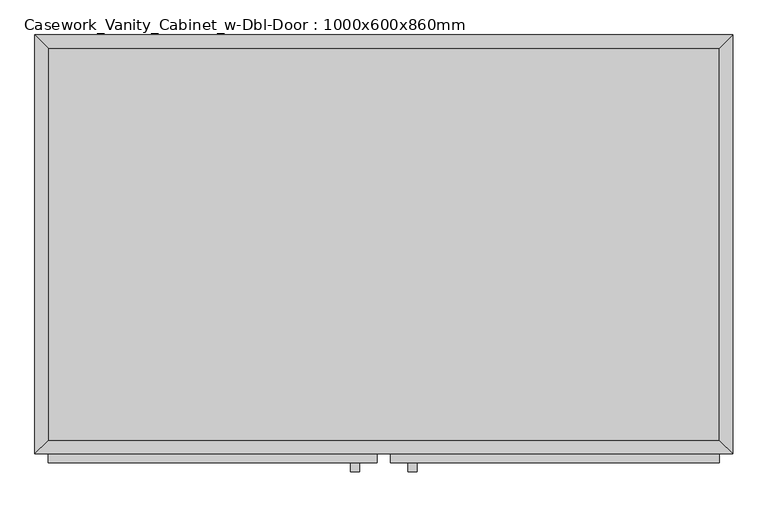
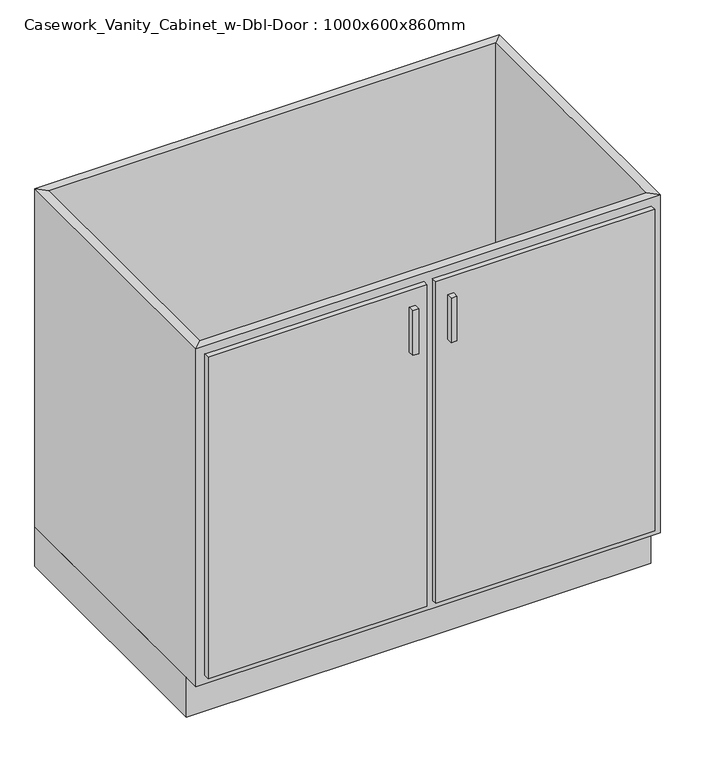
"""IFC4 building model written with IfcOpenShell, lengths in millimetres: furniture geometry, Casework_Vanity_Cabinet_w-Dbl-Door : 1000x600x860mm."""

from ifc_helpers import new_model, si_unit, frame, origin, origin_with_axes, place, context, project, spatial, polyline, outline, extrude, faceted_brep, source, transform, mapped, element, save


def casework_vanity_cabinet_w_dbl_door_1000x600x860mm_58e3de9f(model_context):
    return source(origin(), model_context, "Body", "SolidModel", [
        extrude(outline(polyline([(499.6877049, -19.05), (499.6877049, -580.95), (-462.2122951, -580.95), (-462.2122951, -19.05), (499.6877049, -19.05)])), frame((0.0, 0.0, 90.0), z_axis=(0.0, 0.0, 1.0), x_axis=(1.0, 0.0, 0.0)), (0.0, 0.0, 1.0), 19.05),
        faceted_brep([(499.6877049, -580.95, 860.0), (499.6877049, -580.95, 90.0), (-462.2122951, -580.95, 90.0), (-462.2122951, -580.95, 860.0), (518.7377049, -600.0, 860.0), (-481.2622951, -600.0, 860.0), (518.7377049, -600.0, 90.0), (-481.2622951, -600.0, 90.0), (-462.2122951, -19.05, 90.0), (-462.2122951, -19.05, 860.0), (-481.2622951, 0.0, 860.0), (-481.2622951, 0.0, 90.0), (499.6877049, -19.05, 90.0), (499.6877049, -19.05, 860.0), (518.7377049, 0.0, 860.0), (518.7377049, 0.0, 90.0)], [[[0, 1, 2, 3]], [[4, 0, 3, 5]], [[6, 4, 5, 7]], [[1, 6, 7, 2]], [[3, 2, 8, 9]], [[5, 3, 9, 10]], [[7, 5, 10, 11]], [[2, 7, 11, 8]], [[9, 8, 12, 13]], [[10, 9, 13, 14]], [[11, 10, 14, 15]], [[8, 11, 15, 12]], [[13, 12, 1, 0]], [[14, 13, 0, 4]], [[15, 14, 4, 6]], [[12, 15, 6, 1]]]),
        extrude(outline(polyline([(518.7377049, 0.0), (518.7377049, -565.0), (-481.2622951, -565.0), (-481.2622951, 0.0), (518.7377049, 0.0)])), origin_with_axes(), (0.0, 0.0, 1.0), 90.0),
        extrude(outline(polyline([(-16.1872951, -625.4), (-28.8872951, -625.4), (-28.8872951, -612.7), (-16.1872951, -612.7), (-16.1872951, -625.4)])), frame((0.0, 0.0, 701.25), z_axis=(0.0, 0.0, 1.0), x_axis=(1.0, 0.0, 0.0)), (0.0, 0.0, 1.0), 101.6),
        extrude(outline(polyline([(66.3627049, -625.4), (53.6627049, -625.4), (53.6627049, -612.7), (66.3627049, -612.7), (66.3627049, -625.4)])), frame((0.0, 0.0, 701.25), z_axis=(0.0, 0.0, 1.0), x_axis=(1.0, 0.0, 0.0)), (0.0, 0.0, 1.0), 101.6),
        extrude(outline(polyline([(9.2127049, -612.7), (-462.2122951, -612.7), (-462.2122951, -600.0), (9.2127049, -600.0), (9.2127049, -612.7)])), frame((0.0, 0.0, 109.05), z_axis=(0.0, 0.0, 1.0), x_axis=(1.0, 0.0, 0.0)), (0.0, 0.0, 1.0), 731.9),
        extrude(outline(polyline([(499.6877049, -612.7), (28.2627049, -612.7), (28.2627049, -600.0), (499.6877049, -600.0), (499.6877049, -612.7)])), frame((0.0, 0.0, 109.05), z_axis=(0.0, 0.0, 1.0), x_axis=(1.0, 0.0, 0.0)), (0.0, 0.0, 1.0), 731.9),
    ])


if __name__ == "__main__":
    model = new_model("IFC4")
    model_context = context("Model", 3, world=origin())
    ifc_project = project(units=[si_unit("LENGTHUNIT", "METRE", prefix="MILLI")], contexts=[model_context])
    site = spatial("IfcSite", under=ifc_project)
    building = spatial("IfcBuilding", under=site)
    placement = place(None, origin())
    casework_vanity_cabinet_w_dbl_door_1000x600x860mm_shape = casework_vanity_cabinet_w_dbl_door_1000x600x860mm_58e3de9f(model_context)
    element("IfcFurniture", 1, ObjectType="Casework_Vanity_Cabinet_w-Dbl-Door : 1000x600x860mm", at=placement, inside=building, context=model_context, shape_type="MappedRepresentation", body=[
        mapped(casework_vanity_cabinet_w_dbl_door_1000x600x860mm_shape, transform((0.0, 0.0, 0.0), x_axis=(1.0, 0.0, 0.0), y_axis=(0.0, 1.0, 0.0), z_axis=(0.0, 0.0, 1.0))),
    ])
    save(model, "model.ifc")
